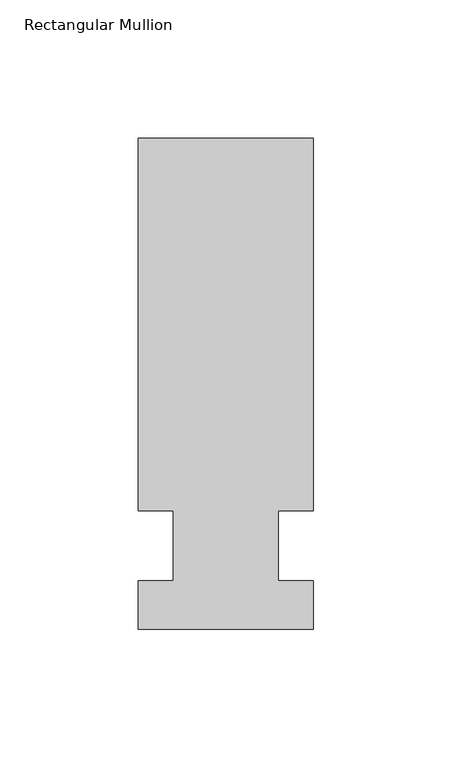
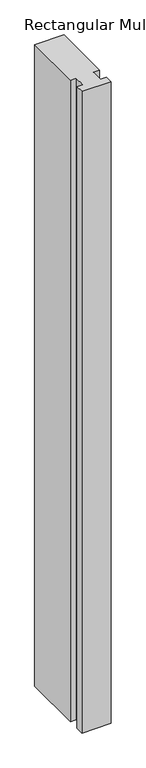
"""IFC4 building model written with IfcOpenShell, lengths in millimetres: member geometry, Rectangular Mullion."""

from ifc_helpers import new_model, si_unit, frame, origin, place, context, project, spatial, polyline, outline, extrude, source, transform, mapped, element, save


def rectangular_mullion_2fe32002(model_context):
    return source(origin(), model_context, "Body", "SweptSolid", [
        extrude(outline(polyline([(36.0844027, 147.6375), (36.0844027, 12.7), (23.3826322, 12.7), (23.3826322, -12.7), (36.0844027, -12.7), (36.0844027, -30.1625), (-27.4155973, -30.1625), (-27.4155973, -12.7), (-14.7155973, -12.7), (-14.7155973, 12.7), (-27.4155973, 12.7), (-27.4155973, 147.6375), (36.0844027, 147.6375)])), frame((0.0, 0.0, -1478.28), z_axis=(0.0, 0.0, 1.0), x_axis=(1.0, 0.0, 0.0)), (0.0, 0.0, 1.0), 1478.28),
    ])


if __name__ == "__main__":
    model = new_model("IFC4")
    model_context = context("Model", 3, world=origin())
    ifc_project = project(units=[si_unit("LENGTHUNIT", "METRE", prefix="MILLI")], contexts=[model_context])
    site = spatial("IfcSite", under=ifc_project)
    building = spatial("IfcBuilding", under=site)
    placement = place(None, origin())
    rectangular_mullion_shape = rectangular_mullion_2fe32002(model_context)
    element("IfcMember", 1, ObjectType="Rectangular Mullion", at=placement, inside=building, context=model_context, shape_type="MappedRepresentation", body=[
        mapped(rectangular_mullion_shape, transform((0.0, 0.0, 0.0), x_axis=(1.0, 0.0, 0.0), y_axis=(0.0, 1.0, 0.0), z_axis=(0.0, 0.0, 1.0))),
    ])
    save(model, "model.ifc")
